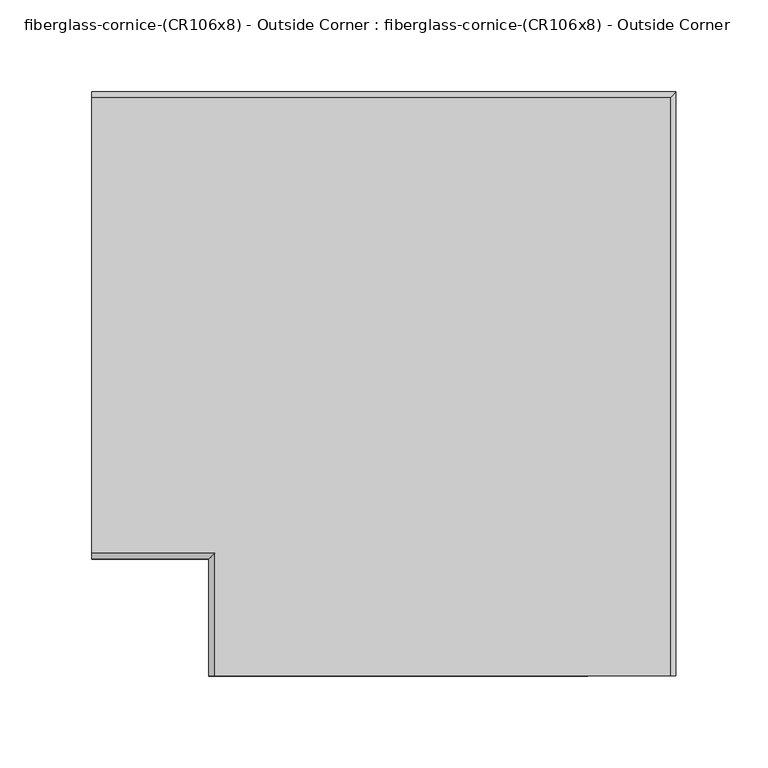
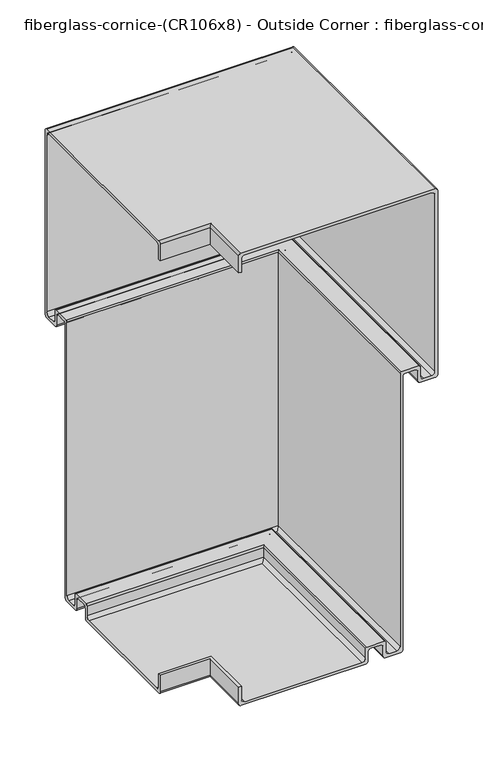
"""IFC4 building model written with IfcOpenShell, lengths in millimetres: furniture geometry, fiberglass-cornice-(CR106x8) - Outside Corner : fiberglass-cornice-(CR106x8) - Outside Corner."""

from ifc_helpers import new_model, si_unit, frame, origin, place, context, project, spatial, polyline, circle_curve, ellipse_curve, source, transform, mapped, element, save
from ifc_brep_helpers import plane_surface, cylinder_surface, revolved_surface, advanced_brep


def fiberglass_cornice_cr106x8_outside_corner_fiberglass_cornice_1d1d9a90(model_context):
    return source(origin(), model_context, "Body", "AdvancedBrep", [
        advanced_brep(
        [(-196.9488213, 101.6, 304.7999907), (-196.9488213, 101.6, 327.0252086), (-196.9488213, 104.7747818, 330.1999904), (-196.9488213, 352.4247101, 330.1999904), (-196.9488213, 355.5997101, 327.0249905), (-196.9488213, 355.5997101, 79.3750025), (-196.9488213, 352.4246899, 76.1999823), (-196.9488213, 333.374807, 76.1999823), (-196.9488213, 330.1995483, 79.375241), (-196.9488213, 330.1995483, 92.074994), (-196.9488213, 327.0245579, 95.2499844), (-196.9488213, 314.3246857, 95.2499844), (-196.9488213, 311.1499039, 92.0752026), (-196.9488213, 311.1499039, -276.2249969), (-196.9488213, 307.9748837, -279.4000171), (-196.9488213, 288.9250008, -279.4000171), (-196.9488213, 285.7497421, -276.2247585), (-196.9488213, 285.7497421, -263.5250352), (-196.9488213, 282.5747219, -260.350015), (-196.9488213, 269.8748795, -260.350015), (-196.9488213, 266.6996208, -263.5252737), (-196.9488213, 266.6996208, -276.2249969), (-196.9488213, 263.5246006, -279.4000171), (-196.9488213, 104.7747818, -279.4000171), (-196.9488213, 101.6, -276.2252353), (-196.9488213, 101.6, -254.0000342), (-196.9488213, 105.0923553, -254.0000342), (-196.9488213, 105.0923553, -271.462407), (-196.9488213, 109.5374313, -275.907483), (-196.9488213, 258.7623087, -275.907483), (-196.9488213, 263.2072655, -271.4625262), (-196.9488213, 263.2072655, -258.7624453), (-196.9488213, 265.1122299, -256.8574809), (-196.9488213, 287.3370734, -256.8574809), (-196.9488213, 289.2420975, -258.7625049), (-196.9488213, 289.2420975, -271.462407), (-196.9488213, 293.6871735, -275.907483), (-196.9488213, 303.2124725, -275.907483), (-196.9488213, 307.6570717, -271.4628838), (-196.9488213, 307.6570717, 96.8375243), (-196.9488213, 309.5620361, 98.7424888), (-196.9488213, 331.7873863, 98.7424888), (-196.9488213, 333.6923805, 96.8374945), (-196.9488213, 333.6923805, 84.1375627), (-196.9488213, 338.1374565, 79.6924867), (-196.9488213, 347.6622787, 79.6924867), (-196.9488213, 352.1073547, 84.1375627), (-196.9488213, 352.1073547, 322.2624902), (-196.9488213, 347.6623544, 326.7074905), (-196.9488213, 109.5374313, 326.7074905), (-196.9488213, 105.0923553, 322.2624145), (-196.9488213, 105.0923553, 304.7999907), (-133.3496026, 38.0007813, 304.7999907), (-129.8572472, 38.0007813, 304.7999907), (-129.8572472, 38.0007813, 322.2624145), (-125.4121713, 38.0007813, 326.7074905), (112.7127518, 38.0007813, 326.7074905), (117.1577521, 38.0007813, 322.2624902), (117.1577521, 38.0007813, 84.1375627), (112.7126762, 38.0007813, 79.6924867), (103.1878539, 38.0007813, 79.6924867), (98.7427779, 38.0007813, 84.1375627), (98.7427779, 38.0007813, 96.8374945), (96.8377837, 38.0007813, 98.7424888), (74.6124335, 38.0007813, 98.7424888), (72.7074691, 38.0007813, 96.8375243), (72.7074691, 38.0007813, -271.4628838), (68.2628699, 38.0007813, -275.907483), (58.7375709, 38.0007813, -275.907483), (54.2924949, 38.0007813, -271.462407), (54.2924949, 38.0007813, -258.7625049), (52.3874708, 38.0007813, -256.8574809), (30.1626273, 38.0007813, -256.8574809), (28.2576629, 38.0007813, -258.7624453), (28.2576629, 38.0007813, -271.4625262), (23.8127061, 38.0007813, -275.907483), (-125.4121713, 38.0007813, -275.907483), (-129.8572472, 38.0007813, -271.462407), (-129.8572472, 38.0007813, -254.0000342), (-133.3496026, 38.0007813, -254.0000342), (-133.3496026, 38.0007813, -276.2252353), (-130.1748208, 38.0007813, -279.4000171), (28.574998, 38.0007813, -279.4000171), (31.7500182, 38.0007813, -276.2249969), (31.7500182, 38.0007813, -263.5252737), (34.9252769, 38.0007813, -260.350015), (47.6251193, 38.0007813, -260.350015), (50.8001395, 38.0007813, -263.5250352), (50.8001395, 38.0007813, -276.2247585), (53.9753982, 38.0007813, -279.4000171), (73.0252811, 38.0007813, -279.4000171), (76.2003013, 38.0007813, -276.2249969), (76.2003013, 38.0007813, 92.0752026), (79.3750831, 38.0007813, 95.2499844), (92.0749553, 38.0007813, 95.2499844), (95.2499457, 38.0007813, 92.074994), (95.2499457, 38.0007813, 79.375241), (98.4252044, 38.0007813, 76.1999823), (117.4750873, 38.0007813, 76.1999823), (120.6501075, 38.0007813, 79.3750025), (120.6501075, 38.0007813, 327.0249905), (117.4751075, 38.0007813, 330.1999904), (-130.1748208, 38.0007813, 330.1999904), (-133.3496026, 38.0007813, 327.0252086), (-133.3496026, 101.6, 304.7999907), (-133.3496026, 101.6, 327.0252086), (-130.1748208, 104.7747818, 330.1999904), (117.4751075, 352.4247101, 330.1999904), (120.6501075, 355.5997101, 327.0249905), (120.6501075, 355.5997101, 79.3750025), (117.4750873, 352.4246899, 76.1999823), (98.4252044, 333.374807, 76.1999823), (95.2499457, 330.1995483, 79.375241), (95.2499457, 330.1995483, 92.074994), (92.0749553, 327.0245579, 95.2499844), (79.3750831, 314.3246857, 95.2499844), (76.2003013, 311.1499039, 92.0752026), (76.2003013, 311.1499039, -276.2249969), (73.0252811, 307.9748837, -279.4000171), (53.9753982, 288.9250008, -279.4000171), (50.8001395, 285.7497421, -276.2247585), (50.8001395, 285.7497421, -263.5250352), (47.6251193, 282.5747219, -260.350015), (34.9252769, 269.8748795, -260.350015), (31.7500182, 266.6996208, -263.5252737), (31.7500182, 266.6996208, -276.2249969), (28.574998, 263.5246006, -279.4000171), (-130.1748208, 104.7747818, -279.4000171), (-133.3496026, 101.6, -276.2252353), (-133.3496026, 101.6, -254.0000342), (-129.8572472, 105.0923553, -254.0000342), (-129.8572472, 105.0923553, -271.462407), (-125.4121713, 109.5374313, -275.907483), (23.8127061, 258.7623087, -275.907483), (28.2576629, 263.2072655, -271.4625262), (28.2576629, 263.2072655, -258.7624453), (30.1626273, 265.1122299, -256.8574809), (52.3874708, 287.3370734, -256.8574809), (54.2924949, 289.2420975, -258.7625049), (54.2924949, 289.2420975, -271.462407), (58.7375709, 293.6871735, -275.907483), (68.2628699, 303.2124725, -275.907483), (72.7074691, 307.6570717, -271.4628838), (72.7074691, 307.6570717, 96.8375243), (74.6124335, 309.5620361, 98.7424888), (96.8377837, 331.7873863, 98.7424888), (98.7427779, 333.6923805, 96.8374945), (98.7427779, 333.6923805, 84.1375627), (103.1878539, 338.1374565, 79.6924867), (112.7126762, 347.6622787, 79.6924867), (117.1577521, 352.1073547, 84.1375627), (117.1577521, 352.1073547, 322.2624902), (112.7127518, 347.6623544, 326.7074905), (-125.4121713, 109.5374313, 326.7074905), (-129.8572472, 105.0923553, 322.2624145), (-129.8572472, 105.0923553, 304.7999907)],
        [
            (0, 1),
            (1, 2, circle_curve(frame((-196.9488213, 104.7747818, 327.0252086), z_axis=(-1.0, 0.0, 0.0), x_axis=(0.0, 1.0, 0.0)), 3.1747818)),
            (2, 3),
            (3, 4, circle_curve(frame((-196.9488213, 352.4247101, 327.0249905), z_axis=(-1.0, 0.0, 0.0), x_axis=(0.0, 1.0, 0.0)), 3.175)),
            (4, 5),
            (5, 6, circle_curve(frame((-196.9488213, 352.4246899, 79.3750025), z_axis=(-1.0, 0.0, 0.0), x_axis=(0.0, 1.0, 0.0)), 3.1750202)),
            (6, 7),
            (7, 8, circle_curve(frame((-196.9488213, 333.374807, 79.375241), z_axis=(-1.0, 0.0, 0.0), x_axis=(0.0, 1.0, 0.0)), 3.1752586)),
            (8, 9),
            (9, 10, circle_curve(frame((-196.9488213, 327.0245579, 92.074994), z_axis=(1.0, 0.0, 0.0), x_axis=(0.0, 1.0, 0.0)), 3.1749904)),
            (10, 11),
            (11, 12, circle_curve(frame((-196.9488213, 314.3246857, 92.0752026), z_axis=(1.0, 0.0, 0.0), x_axis=(0.0, 1.0, 0.0)), 3.1747818)),
            (12, 13),
            (13, 14, circle_curve(frame((-196.9488213, 307.9748837, -276.2249969), z_axis=(-1.0, 0.0, 0.0), x_axis=(0.0, 1.0, 0.0)), 3.1750202)),
            (14, 15),
            (15, 16, circle_curve(frame((-196.9488213, 288.9250008, -276.2247585), z_axis=(-1.0, 0.0, 0.0), x_axis=(0.0, 1.0, 0.0)), 3.1752586)),
            (16, 17),
            (17, 18, circle_curve(frame((-196.9488213, 282.5747219, -263.5250352), z_axis=(1.0, 0.0, 0.0), x_axis=(0.0, 1.0, 0.0)), 3.1750202)),
            (18, 19),
            (19, 20, circle_curve(frame((-196.9488213, 269.8748795, -263.5252737), z_axis=(1.0, 0.0, 0.0), x_axis=(0.0, 1.0, 0.0)), 3.1752586)),
            (20, 21),
            (21, 22, circle_curve(frame((-196.9488213, 263.5246006, -276.2249969), z_axis=(-1.0, 0.0, 0.0), x_axis=(0.0, 1.0, 0.0)), 3.1750202)),
            (22, 23),
            (23, 24, circle_curve(frame((-196.9488213, 104.7747818, -276.2252353), z_axis=(-1.0, 0.0, 0.0), x_axis=(0.0, 1.0, 0.0)), 3.1747818)),
            (24, 25),
            (25, 26),
            (26, 27),
            (27, 28, circle_curve(frame((-196.9488213, 109.5374313, -271.462407), z_axis=(1.0, 0.0, 0.0), x_axis=(0.0, 1.0, 0.0)), 4.445076)),
            (28, 29),
            (29, 30, circle_curve(frame((-196.9488213, 258.7623087, -271.4625262), z_axis=(1.0, 0.0, 0.0), x_axis=(0.0, 1.0, 0.0)), 4.4449568)),
            (30, 31),
            (31, 32, circle_curve(frame((-196.9488213, 265.1122299, -258.7624453), z_axis=(-1.0, 0.0, 0.0), x_axis=(0.0, 1.0, 0.0)), 1.9049644)),
            (32, 33),
            (33, 34, circle_curve(frame((-196.9488213, 287.3370734, -258.7625049), z_axis=(-1.0, 0.0, 0.0), x_axis=(0.0, 1.0, 0.0)), 1.9050241)),
            (34, 35),
            (35, 36, circle_curve(frame((-196.9488213, 293.6871735, -271.462407), z_axis=(1.0, 0.0, 0.0), x_axis=(0.0, 1.0, 0.0)), 4.445076)),
            (36, 37),
            (37, 38, circle_curve(frame((-196.9488213, 303.2124725, -271.4628838), z_axis=(1.0, 0.0, 0.0), x_axis=(0.0, 1.0, 0.0)), 4.4445992)),
            (38, 39),
            (39, 40, circle_curve(frame((-196.9488213, 309.5620361, 96.8375243), z_axis=(-1.0, 0.0, 0.0), x_axis=(0.0, 1.0, 0.0)), 1.9049644)),
            (40, 41),
            (41, 42, circle_curve(frame((-196.9488213, 331.7873863, 96.8374945), z_axis=(-1.0, 0.0, 0.0), x_axis=(0.0, 1.0, 0.0)), 1.9049942)),
            (42, 43),
            (43, 44, circle_curve(frame((-196.9488213, 338.1374565, 84.1375627), z_axis=(1.0, 0.0, 0.0), x_axis=(0.0, 1.0, 0.0)), 4.445076)),
            (44, 45),
            (45, 46, circle_curve(frame((-196.9488213, 347.6622787, 84.1375627), z_axis=(1.0, 0.0, 0.0), x_axis=(0.0, 1.0, 0.0)), 4.445076)),
            (46, 47),
            (47, 48, circle_curve(frame((-196.9488213, 347.6623544, 322.2624902), z_axis=(1.0, 0.0, 0.0), x_axis=(0.0, 1.0, 0.0)), 4.4450003)),
            (48, 49),
            (49, 50, circle_curve(frame((-196.9488213, 109.5374313, 322.2624145), z_axis=(1.0, 0.0, 0.0), x_axis=(0.0, 1.0, 0.0)), 4.445076)),
            (50, 51),
            (51, 0),
            (52, 53),
            (53, 54),
            (54, 55, circle_curve(frame((-125.4121713, 38.0007813, 322.2624145), z_axis=(0.0, 1.0, 0.0), x_axis=(1.0, 0.0, 0.0)), 4.445076)),
            (55, 56),
            (56, 57, circle_curve(frame((112.7127518, 38.0007813, 322.2624902), z_axis=(0.0, 1.0, 0.0), x_axis=(1.0, 0.0, 0.0)), 4.4450003)),
            (57, 58),
            (58, 59, circle_curve(frame((112.7126762, 38.0007813, 84.1375627), z_axis=(0.0, 1.0, 0.0), x_axis=(1.0, 0.0, 0.0)), 4.445076)),
            (59, 60),
            (60, 61, circle_curve(frame((103.1878539, 38.0007813, 84.1375627), z_axis=(0.0, 1.0, 0.0), x_axis=(1.0, 0.0, 0.0)), 4.445076)),
            (61, 62),
            (62, 63, circle_curve(frame((96.8377837, 38.0007813, 96.8374945), z_axis=(0.0, -1.0, 0.0), x_axis=(1.0, 0.0, 0.0)), 1.9049942)),
            (63, 64),
            (64, 65, circle_curve(frame((74.6124335, 38.0007813, 96.8375243), z_axis=(0.0, -1.0, 0.0), x_axis=(1.0, 0.0, 0.0)), 1.9049644)),
            (65, 66),
            (66, 67, circle_curve(frame((68.2628699, 38.0007813, -271.4628838), z_axis=(0.0, 1.0, 0.0), x_axis=(1.0, 0.0, 0.0)), 4.4445992)),
            (67, 68),
            (68, 69, circle_curve(frame((58.7375709, 38.0007813, -271.462407), z_axis=(0.0, 1.0, 0.0), x_axis=(1.0, 0.0, 0.0)), 4.445076)),
            (69, 70),
            (70, 71, circle_curve(frame((52.3874708, 38.0007813, -258.7625049), z_axis=(0.0, -1.0, 0.0), x_axis=(1.0, 0.0, 0.0)), 1.9050241)),
            (71, 72),
            (72, 73, circle_curve(frame((30.1626273, 38.0007813, -258.7624453), z_axis=(0.0, -1.0, 0.0), x_axis=(1.0, 0.0, 0.0)), 1.9049644)),
            (73, 74),
            (74, 75, circle_curve(frame((23.8127061, 38.0007813, -271.4625262), z_axis=(0.0, 1.0, 0.0), x_axis=(1.0, 0.0, 0.0)), 4.4449568)),
            (75, 76),
            (76, 77, circle_curve(frame((-125.4121713, 38.0007813, -271.462407), z_axis=(0.0, 1.0, 0.0), x_axis=(1.0, 0.0, 0.0)), 4.445076)),
            (77, 78),
            (78, 79),
            (79, 80),
            (80, 81, circle_curve(frame((-130.1748208, 38.0007813, -276.2252353), z_axis=(0.0, -1.0, 0.0), x_axis=(1.0, 0.0, 0.0)), 3.1747818)),
            (81, 82),
            (82, 83, circle_curve(frame((28.574998, 38.0007813, -276.2249969), z_axis=(0.0, -1.0, 0.0), x_axis=(1.0, 0.0, 0.0)), 3.1750202)),
            (83, 84),
            (84, 85, circle_curve(frame((34.9252769, 38.0007813, -263.5252737), z_axis=(0.0, 1.0, 0.0), x_axis=(1.0, 0.0, 0.0)), 3.1752586)),
            (85, 86),
            (86, 87, circle_curve(frame((47.6251193, 38.0007813, -263.5250352), z_axis=(0.0, 1.0, 0.0), x_axis=(1.0, 0.0, 0.0)), 3.1750202)),
            (87, 88),
            (88, 89, circle_curve(frame((53.9753982, 38.0007813, -276.2247585), z_axis=(0.0, -1.0, 0.0), x_axis=(1.0, 0.0, 0.0)), 3.1752586)),
            (89, 90),
            (90, 91, circle_curve(frame((73.0252811, 38.0007813, -276.2249969), z_axis=(0.0, -1.0, 0.0), x_axis=(1.0, 0.0, 0.0)), 3.1750202)),
            (91, 92),
            (92, 93, circle_curve(frame((79.3750831, 38.0007813, 92.0752026), z_axis=(0.0, 1.0, 0.0), x_axis=(1.0, 0.0, 0.0)), 3.1747818)),
            (93, 94),
            (94, 95, circle_curve(frame((92.0749553, 38.0007813, 92.074994), z_axis=(0.0, 1.0, 0.0), x_axis=(1.0, 0.0, 0.0)), 3.1749904)),
            (95, 96),
            (96, 97, circle_curve(frame((98.4252044, 38.0007813, 79.375241), z_axis=(0.0, -1.0, 0.0), x_axis=(1.0, 0.0, 0.0)), 3.1752586)),
            (97, 98),
            (98, 99, circle_curve(frame((117.4750873, 38.0007813, 79.3750025), z_axis=(0.0, -1.0, 0.0), x_axis=(1.0, 0.0, 0.0)), 3.1750202)),
            (99, 100),
            (100, 101, circle_curve(frame((117.4751075, 38.0007813, 327.0249905), z_axis=(0.0, -1.0, 0.0), x_axis=(1.0, 0.0, 0.0)), 3.175)),
            (101, 102),
            (102, 103, circle_curve(frame((-130.1748208, 38.0007813, 327.0252086), z_axis=(0.0, -1.0, 0.0), x_axis=(1.0, 0.0, 0.0)), 3.1747818)),
            (103, 52),
            (0, 104),
            (104, 105),
            (105, 1),
            (105, 106, ellipse_curve(frame((-130.1748208, 104.7747818, 327.0252086), z_axis=(-0.7071067811865563, 0.7071067811865387, 0.0), x_axis=(-0.7071067811865387, -0.7071067811865565, 0.0)), 4.4898195, 3.1747818)),
            (106, 2),
            (106, 102),
            (101, 107),
            (107, 3),
            (107, 108, ellipse_curve(frame((117.4751075, 352.4247101, 327.0249905), z_axis=(-0.7071067811865563, 0.7071067811865387, 0.0), x_axis=(-0.7071067811865387, -0.7071067811865565, 0.0)), 4.490128, 3.175)),
            (108, 4),
            (108, 109),
            (109, 5),
            (109, 110, ellipse_curve(frame((117.4750873, 352.4246899, 79.3750025), z_axis=(-0.7071067811865563, 0.7071067811865387, 0.0), x_axis=(-0.7071067811865387, -0.7071067811865565, 0.0)), 4.4901567, 3.1750202)),
            (110, 6),
            (110, 98),
            (97, 111),
            (111, 7),
            (111, 112, ellipse_curve(frame((98.4252044, 333.374807, 79.375241), z_axis=(-0.7071067811865563, 0.7071067811865387, 0.0), x_axis=(-0.7071067811865387, -0.7071067811865565, 0.0)), 4.4904938, 3.1752586)),
            (112, 8),
            (112, 113),
            (113, 9),
            (113, 114, ellipse_curve(frame((92.0749553, 327.0245579, 92.074994), z_axis=(0.7071067811865563, -0.7071067811865387, 0.0), x_axis=(0.7071067811865387, 0.7071067811865565, 0.0)), 4.4901145, 3.1749904)),
            (114, 10),
            (114, 94),
            (93, 115),
            (115, 11),
            (115, 116, ellipse_curve(frame((79.3750831, 314.3246857, 92.0752026), z_axis=(0.7071067811865563, -0.7071067811865387, 0.0), x_axis=(0.7071067811865387, 0.7071067811865565, 0.0)), 4.4898195, 3.1747818)),
            (116, 12),
            (116, 117),
            (117, 13),
            (117, 118, ellipse_curve(frame((73.0252811, 307.9748837, -276.2249969), z_axis=(-0.7071067811865563, 0.7071067811865387, 0.0), x_axis=(-0.7071067811865387, -0.7071067811865565, 0.0)), 4.4901567, 3.1750202)),
            (118, 14),
            (118, 90),
            (89, 119),
            (119, 15),
            (119, 120, ellipse_curve(frame((53.9753982, 288.9250008, -276.2247585), z_axis=(-0.7071067811865563, 0.7071067811865387, 0.0), x_axis=(-0.7071067811865387, -0.7071067811865565, 0.0)), 4.4904938, 3.1752586)),
            (120, 16),
            (120, 121),
            (121, 17),
            (121, 122, ellipse_curve(frame((47.6251193, 282.5747219, -263.5250352), z_axis=(0.7071067811865563, -0.7071067811865387, 0.0), x_axis=(0.7071067811865387, 0.7071067811865565, 0.0)), 4.4901567, 3.1750202)),
            (122, 18),
            (122, 86),
            (85, 123),
            (123, 19),
            (123, 124, ellipse_curve(frame((34.9252769, 269.8748795, -263.5252737), z_axis=(0.7071067811865563, -0.7071067811865387, 0.0), x_axis=(0.7071067811865387, 0.7071067811865565, 0.0)), 4.4904938, 3.1752586)),
            (124, 20),
            (124, 125),
            (125, 21),
            (125, 126, ellipse_curve(frame((28.574998, 263.5246006, -276.2249969), z_axis=(-0.7071067811865563, 0.7071067811865387, 0.0), x_axis=(-0.7071067811865387, -0.7071067811865565, 0.0)), 4.4901567, 3.1750202)),
            (126, 22),
            (126, 82),
            (81, 127),
            (127, 23),
            (127, 128, ellipse_curve(frame((-130.1748208, 104.7747818, -276.2252353), z_axis=(-0.7071067811865563, 0.7071067811865387, 0.0), x_axis=(-0.7071067811865387, -0.7071067811865565, 0.0)), 4.4898195, 3.1747818)),
            (128, 24),
            (128, 129),
            (129, 25),
            (129, 79),
            (78, 130),
            (130, 26),
            (130, 131),
            (131, 27),
            (131, 132, ellipse_curve(frame((-125.4121713, 109.5374313, -271.462407), z_axis=(0.7071067811865563, -0.7071067811865387, 0.0), x_axis=(0.7071067811865387, 0.7071067811865565, 0.0)), 6.2862867, 4.445076)),
            (132, 28),
            (132, 76),
            (75, 133),
            (133, 29),
            (133, 134, ellipse_curve(frame((23.8127061, 258.7623087, -271.4625262), z_axis=(0.7071067811865563, -0.7071067811865387, 0.0), x_axis=(0.7071067811865387, 0.7071067811865565, 0.0)), 6.2861182, 4.4449568)),
            (134, 30),
            (134, 135),
            (135, 31),
            (135, 136, ellipse_curve(frame((30.1626273, 265.1122299, -258.7624453), z_axis=(-0.7071067811865563, 0.7071067811865387, 0.0), x_axis=(-0.7071067811865387, -0.7071067811865565, 0.0)), 2.6940266, 1.9049644)),
            (136, 32),
            (136, 72),
            (71, 137),
            (137, 33),
            (137, 138, ellipse_curve(frame((52.3874708, 287.3370734, -258.7625049), z_axis=(-0.7071067811865563, 0.7071067811865387, 0.0), x_axis=(-0.7071067811865387, -0.7071067811865565, 0.0)), 2.6941109, 1.9050241)),
            (138, 34),
            (138, 139),
            (139, 35),
            (139, 140, ellipse_curve(frame((58.7375709, 293.6871735, -271.462407), z_axis=(0.7071067811865563, -0.7071067811865387, 0.0), x_axis=(0.7071067811865387, 0.7071067811865565, 0.0)), 6.2862867, 4.445076)),
            (140, 36),
            (140, 68),
            (67, 141),
            (141, 37),
            (141, 142, ellipse_curve(frame((68.2628699, 303.2124725, -271.4628838), z_axis=(0.7071067811865563, -0.7071067811865387, 0.0), x_axis=(0.7071067811865387, 0.7071067811865565, 0.0)), 6.2856124, 4.4445992)),
            (142, 38),
            (142, 143),
            (143, 39),
            (143, 144, ellipse_curve(frame((74.6124335, 309.5620361, 96.8375243), z_axis=(-0.7071067811865563, 0.7071067811865387, 0.0), x_axis=(-0.7071067811865387, -0.7071067811865565, 0.0)), 2.6940266, 1.9049644)),
            (144, 40),
            (144, 64),
            (63, 145),
            (145, 41),
            (145, 146, ellipse_curve(frame((96.8377837, 331.7873863, 96.8374945), z_axis=(-0.7071067811865563, 0.7071067811865387, 0.0), x_axis=(-0.7071067811865387, -0.7071067811865565, 0.0)), 2.6940687, 1.9049942)),
            (146, 42),
            (146, 147),
            (147, 43),
            (147, 148, ellipse_curve(frame((103.1878539, 338.1374565, 84.1375627), z_axis=(0.7071067811865563, -0.7071067811865387, 0.0), x_axis=(0.7071067811865387, 0.7071067811865565, 0.0)), 6.2862867, 4.445076)),
            (148, 44),
            (148, 60),
            (59, 149),
            (149, 45),
            (149, 150, ellipse_curve(frame((112.7126762, 347.6622787, 84.1375627), z_axis=(0.7071067811865563, -0.7071067811865387, 0.0), x_axis=(0.7071067811865387, 0.7071067811865565, 0.0)), 6.2862867, 4.445076)),
            (150, 46),
            (150, 151),
            (151, 47),
            (151, 152, ellipse_curve(frame((112.7127518, 347.6623544, 322.2624902), z_axis=(0.7071067811865563, -0.7071067811865387, 0.0), x_axis=(0.7071067811865387, 0.7071067811865565, 0.0)), 6.2861797, 4.4450003)),
            (152, 48),
            (152, 56),
            (55, 153),
            (153, 49),
            (153, 154, ellipse_curve(frame((-125.4121713, 109.5374313, 322.2624145), z_axis=(0.7071067811865563, -0.7071067811865387, 0.0), x_axis=(0.7071067811865387, 0.7071067811865565, 0.0)), 6.2862867, 4.445076)),
            (154, 50),
            (154, 155),
            (155, 51),
            (155, 53),
            (52, 104),
            (103, 105),
            (100, 108),
            (99, 109),
            (96, 112),
            (95, 113),
            (92, 116),
            (91, 117),
            (88, 120),
            (87, 121),
            (84, 124),
            (83, 125),
            (80, 128),
            (77, 131),
            (74, 134),
            (73, 135),
            (70, 138),
            (69, 139),
            (66, 142),
            (65, 143),
            (62, 146),
            (61, 147),
            (58, 150),
            (57, 151),
            (54, 154),
        ],
        [
            plane_surface(frame((-196.9488213, 101.6, 330.1999904), z_axis=(-1.0, 0.0, 0.0), x_axis=(0.0, 0.0, 1.0))),
            plane_surface(frame((-133.3496026, 38.0007813, 330.1999904), z_axis=(0.0, -1.0, 0.0), x_axis=(0.0, 0.0, 1.0))),
            plane_surface(frame((-196.9488213, 101.6, 304.7999907), z_axis=(0.0, -1.0, 0.0), x_axis=(1.0, 0.0, 0.0))),
            cylinder_surface(frame((-196.9488213, 104.7747818, 327.0252086), z_axis=(-1.0, 0.0, 0.0), x_axis=(0.0, 1.0, 0.0)), 3.1747818),
            plane_surface(frame((-196.9488213, 104.7747818, 330.1999904), z_axis=(0.0, 0.0, 1.0), x_axis=(1.0, 0.0, 0.0))),
            cylinder_surface(frame((-196.9488213, 352.4247101, 327.0249905), z_axis=(-1.0, 0.0, 0.0), x_axis=(0.0, 1.0, 0.0)), 3.175),
            plane_surface(frame((-196.9488213, 355.5997101, 327.0249905), z_axis=(0.0, 1.0, 0.0), x_axis=(1.0, 0.0, 0.0))),
            cylinder_surface(frame((-196.9488213, 352.4246899, 79.3750025), z_axis=(-1.0, 0.0, 0.0), x_axis=(0.0, 1.0, 0.0)), 3.1750202),
            plane_surface(frame((-196.9488213, 352.4246899, 76.1999823), z_axis=(0.0, 0.0, -1.0), x_axis=(1.0, 0.0, 0.0))),
            cylinder_surface(frame((-196.9488213, 333.374807, 79.375241), z_axis=(-1.0, 0.0, 0.0), x_axis=(0.0, 1.0, 0.0)), 3.1752586),
            plane_surface(frame((-196.9488213, 330.1995483, 79.375241), z_axis=(0.0, -1.0, 0.0), x_axis=(1.0, 0.0, 0.0))),
            revolved_surface(polyline([(95.24994571125401, 330.1995483, 92.074994), (-196.9488213, 330.1995483, 92.074994)]), (-196.9488213, 327.0245579, 92.074994), (1.0, 0.0, 0.0)),
            plane_surface(frame((-196.9488213, 327.0245579, 95.2499844), z_axis=(0.0, 0.0, -1.0), x_axis=(1.0, 0.0, 0.0))),
            revolved_surface(polyline([(82.54986491475356, 317.4994675, 92.0752026), (-196.9488213, 317.4994675, 92.0752026)]), (-196.9488213, 314.3246857, 92.0752026), (1.0, 0.0, 0.0)),
            plane_surface(frame((-196.9488213, 311.1499039, 92.0752026), z_axis=(0.0, 1.0, 0.0), x_axis=(1.0, 0.0, 0.0))),
            cylinder_surface(frame((-196.9488213, 307.9748837, -276.2249969), z_axis=(-1.0, 0.0, 0.0), x_axis=(0.0, 1.0, 0.0)), 3.1750202),
            plane_surface(frame((-196.9488213, 307.9748837, -279.4000171), z_axis=(0.0, 0.0, -1.0), x_axis=(1.0, 0.0, 0.0))),
            cylinder_surface(frame((-196.9488213, 288.9250008, -276.2247585), z_axis=(-1.0, 0.0, 0.0), x_axis=(0.0, 1.0, 0.0)), 3.1752586),
            plane_surface(frame((-196.9488213, 285.7497421, -276.2247585), z_axis=(0.0, -1.0, 0.0), x_axis=(1.0, 0.0, 0.0))),
            revolved_surface(polyline([(50.80013955116016, 285.7497421, -263.5250352), (-196.9488213, 285.7497421, -263.5250352)]), (-196.9488213, 282.5747219, -263.5250352), (1.0, 0.0, 0.0)),
            plane_surface(frame((-196.9488213, 282.5747219, -260.350015), z_axis=(0.0, 0.0, -1.0), x_axis=(1.0, 0.0, 0.0))),
            revolved_surface(polyline([(38.1005355168561, 273.0501381, -263.5252737), (-196.9488213, 273.0501381, -263.5252737)]), (-196.9488213, 269.8748795, -263.5252737), (1.0, 0.0, 0.0)),
            plane_surface(frame((-196.9488213, 266.6996208, -263.5252737), z_axis=(0.0, 1.0, 0.0), x_axis=(1.0, 0.0, 0.0))),
            cylinder_surface(frame((-196.9488213, 263.5246006, -276.2249969), z_axis=(-1.0, 0.0, 0.0), x_axis=(0.0, 1.0, 0.0)), 3.1750202),
            plane_surface(frame((-196.9488213, 263.5246006, -279.4000171), z_axis=(0.0, 0.0, -1.0), x_axis=(1.0, 0.0, 0.0))),
            cylinder_surface(frame((-196.9488213, 104.7747818, -276.2252353), z_axis=(-1.0, 0.0, 0.0), x_axis=(0.0, 1.0, 0.0)), 3.1747818),
            plane_surface(frame((-196.9488213, 101.6, -276.2252353), z_axis=(0.0, -1.0, 0.0), x_axis=(1.0, 0.0, 0.0))),
            plane_surface(frame((-196.9488213, 101.6, -254.0000342), z_axis=(0.0, 0.0, 1.0), x_axis=(1.0, 0.0, 0.0))),
            plane_surface(frame((-196.9488213, 105.0923553, -254.0000342), z_axis=(0.0, 1.0, 0.0), x_axis=(1.0, 0.0, 0.0))),
            revolved_surface(polyline([(-120.96709534594724, 113.9825073, -271.462407), (-196.9488213, 113.9825073, -271.462407)]), (-196.9488213, 109.5374313, -271.462407), (1.0, 0.0, 0.0)),
            plane_surface(frame((-196.9488213, 109.5374313, -275.907483), z_axis=(0.0, 0.0, 1.0), x_axis=(1.0, 0.0, 0.0))),
            revolved_surface(polyline([(28.257662906560114, 263.2072655, -271.4625262), (-196.9488213, 263.2072655, -271.4625262)]), (-196.9488213, 258.7623087, -271.4625262), (1.0, 0.0, 0.0)),
            plane_surface(frame((-196.9488213, 263.2072655, -271.4625262), z_axis=(0.0, -1.0, 0.0), x_axis=(1.0, 0.0, 0.0))),
            cylinder_surface(frame((-196.9488213, 265.1122299, -258.7624453), z_axis=(-1.0, 0.0, 0.0), x_axis=(0.0, 1.0, 0.0)), 1.9049644),
            plane_surface(frame((-196.9488213, 265.1122299, -256.8574809), z_axis=(0.0, 0.0, 1.0), x_axis=(1.0, 0.0, 0.0))),
            cylinder_surface(frame((-196.9488213, 287.3370734, -258.7625049), z_axis=(-1.0, 0.0, 0.0), x_axis=(0.0, 1.0, 0.0)), 1.9050241),
            plane_surface(frame((-196.9488213, 289.2420975, -258.7625049), z_axis=(0.0, 1.0, 0.0), x_axis=(1.0, 0.0, 0.0))),
            revolved_surface(polyline([(63.18264685405276, 298.13224949999994, -271.462407), (-196.9488213, 298.13224949999994, -271.462407)]), (-196.9488213, 293.6871735, -271.462407), (1.0, 0.0, 0.0)),
            plane_surface(frame((-196.9488213, 293.6871735, -275.907483), z_axis=(0.0, 0.0, 1.0), x_axis=(1.0, 0.0, 0.0))),
            revolved_surface(polyline([(72.7074691, 307.6570717, -271.4628838), (-196.9488213, 307.6570717, -271.4628838)]), (-196.9488213, 303.2124725, -271.4628838), (1.0, 0.0, 0.0)),
            plane_surface(frame((-196.9488213, 307.6570717, -271.4628838), z_axis=(0.0, -1.0, 0.0), x_axis=(1.0, 0.0, 0.0))),
            cylinder_surface(frame((-196.9488213, 309.5620361, 96.8375243), z_axis=(-1.0, 0.0, 0.0), x_axis=(0.0, 1.0, 0.0)), 1.9049644),
            plane_surface(frame((-196.9488213, 309.5620361, 98.7424888), z_axis=(0.0, 0.0, 1.0), x_axis=(1.0, 0.0, 0.0))),
            cylinder_surface(frame((-196.9488213, 331.7873863, 96.8374945), z_axis=(-1.0, 0.0, 0.0), x_axis=(0.0, 1.0, 0.0)), 1.9049942),
            plane_surface(frame((-196.9488213, 333.6923805, 96.8374945), z_axis=(0.0, 1.0, 0.0), x_axis=(1.0, 0.0, 0.0))),
            revolved_surface(polyline([(107.63292985405278, 342.58253249999996, 84.1375627), (-196.9488213, 342.58253249999996, 84.1375627)]), (-196.9488213, 338.1374565, 84.1375627), (1.0, 0.0, 0.0)),
            plane_surface(frame((-196.9488213, 338.1374565, 79.6924867), z_axis=(0.0, 0.0, 1.0), x_axis=(1.0, 0.0, 0.0))),
            revolved_surface(polyline([(117.15775215405276, 352.1073547, 84.1375627), (-196.9488213, 352.1073547, 84.1375627)]), (-196.9488213, 347.6622787, 84.1375627), (1.0, 0.0, 0.0)),
            plane_surface(frame((-196.9488213, 352.1073547, 84.1375627), z_axis=(0.0, -1.0, 0.0), x_axis=(1.0, 0.0, 0.0))),
            revolved_surface(polyline([(117.15775210000001, 352.10735470000003, 322.2624902), (-196.9488213, 352.10735470000003, 322.2624902)]), (-196.9488213, 347.6623544, 322.2624902), (1.0, 0.0, 0.0)),
            plane_surface(frame((-196.9488213, 347.6623544, 326.7074905), z_axis=(0.0, 0.0, -1.0), x_axis=(1.0, 0.0, 0.0))),
            revolved_surface(polyline([(-120.96709534594724, 113.9825073, 322.2624145), (-196.9488213, 113.9825073, 322.2624145)]), (-196.9488213, 109.5374313, 322.2624145), (1.0, 0.0, 0.0)),
            plane_surface(frame((-196.9488213, 105.0923553, 322.2624145), z_axis=(0.0, 1.0, 0.0), x_axis=(1.0, 0.0, 0.0))),
            plane_surface(frame((-196.9488213, 105.0923553, 304.7999907), z_axis=(0.0, 0.0, -1.0), x_axis=(1.0, 0.0, 0.0))),
            plane_surface(frame((-133.3496026, 101.6, 304.7999907), z_axis=(-1.0, 0.0, 0.0), x_axis=(0.0, -1.0, 0.0))),
            cylinder_surface(frame((-130.1748208, 101.6, 327.0252086), z_axis=(0.0, 1.0, 0.0), x_axis=(1.0, 0.0, 0.0)), 3.1747818),
            cylinder_surface(frame((117.4751075, 101.6, 327.0249905), z_axis=(0.0, 1.0, 0.0), x_axis=(1.0, 0.0, 0.0)), 3.175),
            plane_surface(frame((120.6501075, 355.5997101, 327.0249905), z_axis=(1.0, 0.0, 0.0), x_axis=(0.0, -1.0, 0.0))),
            cylinder_surface(frame((117.4750873, 101.6, 79.3750025), z_axis=(0.0, 1.0, 0.0), x_axis=(1.0, 0.0, 0.0)), 3.1750202),
            cylinder_surface(frame((98.4252044, 101.6, 79.375241), z_axis=(0.0, 1.0, 0.0), x_axis=(1.0, 0.0, 0.0)), 3.1752586),
            plane_surface(frame((95.2499457, 330.1995483, 79.375241), z_axis=(-1.0, 0.0, 0.0), x_axis=(0.0, -1.0, 0.0))),
            revolved_surface(polyline([(95.2499457, 38.0007813, 92.074994), (95.2499457, 330.19954831125403, 92.074994)]), (92.0749553, 101.6, 92.074994), (0.0, -1.0, 0.0)),
            revolved_surface(polyline([(82.5498649, 38.0007813, 92.0752026), (82.5498649, 317.49946751475363, 92.0752026)]), (79.3750831, 101.6, 92.0752026), (0.0, -1.0, 0.0)),
            plane_surface(frame((76.2003013, 311.1499039, 92.0752026), z_axis=(1.0, 0.0, 0.0), x_axis=(0.0, -1.0, 0.0))),
            cylinder_surface(frame((73.0252811, 101.6, -276.2249969), z_axis=(0.0, 1.0, 0.0), x_axis=(1.0, 0.0, 0.0)), 3.1750202),
            cylinder_surface(frame((53.9753982, 101.6, -276.2247585), z_axis=(0.0, 1.0, 0.0), x_axis=(1.0, 0.0, 0.0)), 3.1752586),
            plane_surface(frame((50.8001395, 285.7497421, -276.2247585), z_axis=(-1.0, 0.0, 0.0), x_axis=(0.0, -1.0, 0.0))),
            revolved_surface(polyline([(50.8001395, 38.0007813, -263.5250352), (50.8001395, 285.74974215116026, -263.5250352)]), (47.6251193, 101.6, -263.5250352), (0.0, -1.0, 0.0)),
            revolved_surface(polyline([(38.1005355, 38.0007813, -263.5252737), (38.1005355, 273.0501381168562, -263.5252737)]), (34.9252769, 101.6, -263.5252737), (0.0, -1.0, 0.0)),
            plane_surface(frame((31.7500182, 266.6996208, -263.5252737), z_axis=(1.0, 0.0, 0.0), x_axis=(0.0, -1.0, 0.0))),
            cylinder_surface(frame((28.574998, 101.6, -276.2249969), z_axis=(0.0, 1.0, 0.0), x_axis=(1.0, 0.0, 0.0)), 3.1750202),
            cylinder_surface(frame((-130.1748208, 101.6, -276.2252353), z_axis=(0.0, 1.0, 0.0), x_axis=(1.0, 0.0, 0.0)), 3.1747818),
            plane_surface(frame((-133.3496026, 101.6, -276.2252353), z_axis=(-1.0, 0.0, 0.0), x_axis=(0.0, -1.0, 0.0))),
            plane_surface(frame((-129.8572472, 105.0923553, -254.0000342), z_axis=(1.0, 0.0, 0.0), x_axis=(0.0, -1.0, 0.0))),
            revolved_surface(polyline([(-120.9670953, 38.0007813, -271.462407), (-120.9670953, 113.98250725405285, -271.462407)]), (-125.4121713, 101.6, -271.462407), (0.0, -1.0, 0.0)),
            revolved_surface(polyline([(28.2576629, 38.0007813, -271.4625262), (28.2576629, 263.20726550656025, -271.4625262)]), (23.8127061, 101.6, -271.4625262), (0.0, -1.0, 0.0)),
            plane_surface(frame((28.2576629, 263.2072655, -271.4625262), z_axis=(-1.0, 0.0, 0.0), x_axis=(0.0, -1.0, 0.0))),
            cylinder_surface(frame((30.1626273, 101.6, -258.7624453), z_axis=(0.0, 1.0, 0.0), x_axis=(1.0, 0.0, 0.0)), 1.9049644),
            cylinder_surface(frame((52.3874708, 101.6, -258.7625049), z_axis=(0.0, 1.0, 0.0), x_axis=(1.0, 0.0, 0.0)), 1.9050241),
            plane_surface(frame((54.2924949, 289.2420975, -258.7625049), z_axis=(1.0, 0.0, 0.0), x_axis=(0.0, -1.0, 0.0))),
            revolved_surface(polyline([(63.1826469, 38.0007813, -271.462407), (63.1826469, 298.13224945405284, -271.462407)]), (58.7375709, 101.6, -271.462407), (0.0, -1.0, 0.0)),
            revolved_surface(polyline([(72.7074691, 38.0007813, -271.4628838), (72.7074691, 307.6570717, -271.4628838)]), (68.2628699, 101.6, -271.4628838), (0.0, -1.0, 0.0)),
            plane_surface(frame((72.7074691, 307.6570717, -271.4628838), z_axis=(-1.0, 0.0, 0.0), x_axis=(0.0, -1.0, 0.0))),
            cylinder_surface(frame((74.6124335, 101.6, 96.8375243), z_axis=(0.0, 1.0, 0.0), x_axis=(1.0, 0.0, 0.0)), 1.9049644),
            cylinder_surface(frame((96.8377837, 101.6, 96.8374945), z_axis=(0.0, 1.0, 0.0), x_axis=(1.0, 0.0, 0.0)), 1.9049942),
            plane_surface(frame((98.7427779, 333.6923805, 96.8374945), z_axis=(1.0, 0.0, 0.0), x_axis=(0.0, -1.0, 0.0))),
            revolved_surface(polyline([(107.6329299, 38.0007813, 84.1375627), (107.6329299, 342.58253245405285, 84.1375627)]), (103.1878539, 101.6, 84.1375627), (0.0, -1.0, 0.0)),
            revolved_surface(polyline([(117.1577522, 38.0007813, 84.1375627), (117.1577522, 352.1073547, 84.1375627)]), (112.7126762, 101.6, 84.1375627), (0.0, -1.0, 0.0)),
            plane_surface(frame((117.1577521, 352.1073547, 84.1375627), z_axis=(-1.0, 0.0, 0.0), x_axis=(0.0, -1.0, 0.0))),
            revolved_surface(polyline([(117.15775210000001, 38.0007813, 322.2624902), (117.15775210000001, 352.1073547, 322.2624902)]), (112.7127518, 101.6, 322.2624902), (0.0, -1.0, 0.0)),
            revolved_surface(polyline([(-120.9670953, 38.0007813, 322.2624145), (-120.9670953, 113.98250725405285, 322.2624145)]), (-125.4121713, 101.6, 322.2624145), (0.0, -1.0, 0.0)),
            plane_surface(frame((-129.8572472, 105.0923553, 322.2624145), z_axis=(1.0, 0.0, 0.0), x_axis=(0.0, -1.0, 0.0))),
        ],
        [
            (0, [[1, 2, 3, 4, 5, 6, 7, 8, 9, 10, 11, 12, 13, 14, 15, 16, 17, 18, 19, 20, 21, 22, 23, 24, 25, 26, 27, 28, 29, 30, 31, 32, 33, 34, 35, 36, 37, 38, 39, 40, 41, 42, 43, 44, 45, 46, 47, 48, 49, 50, 51, 52]]),
            (1, [[53, 54, 55, 56, 57, 58, 59, 60, 61, 62, 63, 64, 65, 66, 67, 68, 69, 70, 71, 72, 73, 74, 75, 76, 77, 78, 79, 80, 81, 82, 83, 84, 85, 86, 87, 88, 89, 90, 91, 92, 93, 94, 95, 96, 97, 98, 99, 100, 101, 102, 103, 104]]),
            (2, [[-1, 105, 106, 107]]),
            (3, [[-2, -107, 108, 109]]),
            (4, [[-3, -109, 110, -102, 111, 112]]),
            (5, [[-4, -112, 113, 114]]),
            (6, [[-5, -114, 115, 116]]),
            (7, [[-6, -116, 117, 118]]),
            (8, [[-7, -118, 119, -98, 120, 121]]),
            (9, [[-8, -121, 122, 123]]),
            (10, [[-9, -123, 124, 125]]),
            (11, [[-10, -125, 126, 127]]),
            (12, [[-11, -127, 128, -94, 129, 130]]),
            (13, [[-12, -130, 131, 132]]),
            (14, [[-13, -132, 133, 134]]),
            (15, [[-14, -134, 135, 136]]),
            (16, [[-15, -136, 137, -90, 138, 139]]),
            (17, [[-16, -139, 140, 141]]),
            (18, [[-17, -141, 142, 143]]),
            (19, [[-18, -143, 144, 145]]),
            (20, [[-19, -145, 146, -86, 147, 148]]),
            (21, [[-20, -148, 149, 150]]),
            (22, [[-21, -150, 151, 152]]),
            (23, [[-22, -152, 153, 154]]),
            (24, [[-23, -154, 155, -82, 156, 157]]),
            (25, [[-24, -157, 158, 159]]),
            (26, [[-25, -159, 160, 161]]),
            (27, [[-26, -161, 162, -79, 163, 164]]),
            (28, [[-27, -164, 165, 166]]),
            (29, [[-28, -166, 167, 168]]),
            (30, [[-29, -168, 169, -76, 170, 171]]),
            (31, [[-30, -171, 172, 173]]),
            (32, [[-31, -173, 174, 175]]),
            (33, [[-32, -175, 176, 177]]),
            (34, [[-33, -177, 178, -72, 179, 180]]),
            (35, [[-34, -180, 181, 182]]),
            (36, [[-35, -182, 183, 184]]),
            (37, [[-36, -184, 185, 186]]),
            (38, [[-37, -186, 187, -68, 188, 189]]),
            (39, [[-38, -189, 190, 191]]),
            (40, [[-39, -191, 192, 193]]),
            (41, [[-40, -193, 194, 195]]),
            (42, [[-41, -195, 196, -64, 197, 198]]),
            (43, [[-42, -198, 199, 200]]),
            (44, [[-43, -200, 201, 202]]),
            (45, [[-44, -202, 203, 204]]),
            (46, [[-45, -204, 205, -60, 206, 207]]),
            (47, [[-46, -207, 208, 209]]),
            (48, [[-47, -209, 210, 211]]),
            (49, [[-48, -211, 212, 213]]),
            (50, [[-49, -213, 214, -56, 215, 216]]),
            (51, [[-50, -216, 217, 218]]),
            (52, [[-51, -218, 219, 220]]),
            (53, [[-52, -220, 221, -53, 222, -105]]),
            (54, [[-106, -222, -104, 223]]),
            (55, [[-108, -223, -103, -110]]),
            (56, [[-113, -111, -101, 224]]),
            (57, [[-115, -224, -100, 225]]),
            (58, [[-117, -225, -99, -119]]),
            (59, [[-122, -120, -97, 226]]),
            (60, [[-124, -226, -96, 227]]),
            (61, [[-126, -227, -95, -128]]),
            (62, [[-131, -129, -93, 228]]),
            (63, [[-133, -228, -92, 229]]),
            (64, [[-135, -229, -91, -137]]),
            (65, [[-140, -138, -89, 230]]),
            (66, [[-142, -230, -88, 231]]),
            (67, [[-144, -231, -87, -146]]),
            (68, [[-149, -147, -85, 232]]),
            (69, [[-151, -232, -84, 233]]),
            (70, [[-153, -233, -83, -155]]),
            (71, [[-158, -156, -81, 234]]),
            (72, [[-160, -234, -80, -162]]),
            (73, [[-165, -163, -78, 235]]),
            (74, [[-167, -235, -77, -169]]),
            (75, [[-172, -170, -75, 236]]),
            (76, [[-174, -236, -74, 237]]),
            (77, [[-176, -237, -73, -178]]),
            (78, [[-181, -179, -71, 238]]),
            (79, [[-183, -238, -70, 239]]),
            (80, [[-185, -239, -69, -187]]),
            (81, [[-190, -188, -67, 240]]),
            (82, [[-192, -240, -66, 241]]),
            (83, [[-194, -241, -65, -196]]),
            (84, [[-199, -197, -63, 242]]),
            (85, [[-201, -242, -62, 243]]),
            (86, [[-203, -243, -61, -205]]),
            (87, [[-208, -206, -59, 244]]),
            (88, [[-210, -244, -58, 245]]),
            (89, [[-212, -245, -57, -214]]),
            (90, [[-217, -215, -55, 246]]),
            (91, [[-219, -246, -54, -221]]),
        ],
    ),
    ])


if __name__ == "__main__":
    model = new_model("IFC4")
    model_context = context("Model", 3, world=origin())
    ifc_project = project(units=[si_unit("LENGTHUNIT", "METRE", prefix="MILLI")], contexts=[model_context])
    site = spatial("IfcSite", under=ifc_project)
    building = spatial("IfcBuilding", under=site)
    placement = place(None, origin())
    fiberglass_cornice_cr106x8_outside_corner_fiberglass_cornice_shape = fiberglass_cornice_cr106x8_outside_corner_fiberglass_cornice_1d1d9a90(model_context)
    element("IfcFurniture", 1, ObjectType="fiberglass-cornice-(CR106x8) - Outside Corner : fiberglass-cornice-(CR106x8) - Outside Corner", at=placement, inside=building, context=model_context, shape_type="MappedRepresentation", body=[
        mapped(fiberglass_cornice_cr106x8_outside_corner_fiberglass_cornice_shape, transform((0.0, 0.0, 0.0), x_axis=(1.0, 0.0, 0.0), y_axis=(0.0, 1.0, 0.0), z_axis=(0.0, 0.0, 1.0))),
    ])
    save(model, "model.ifc")
